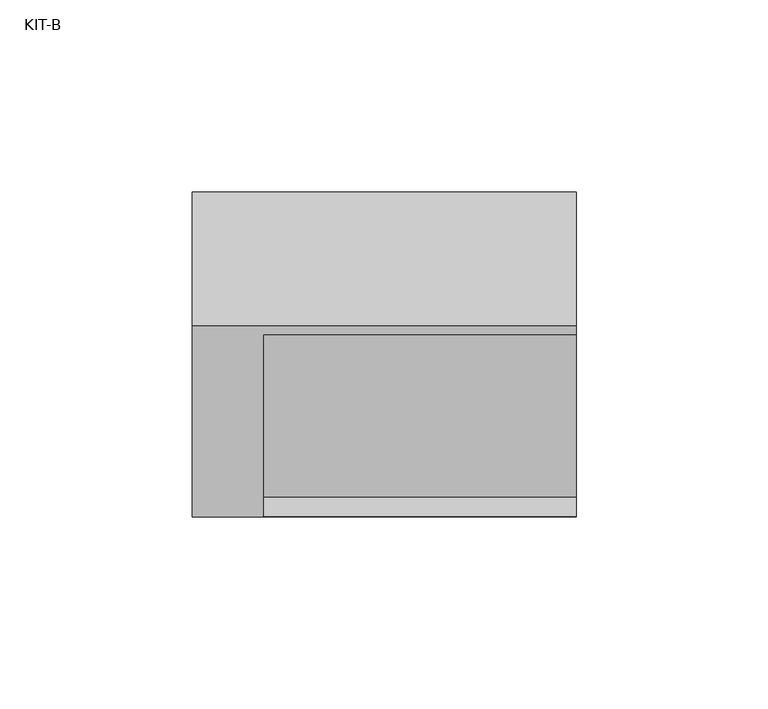
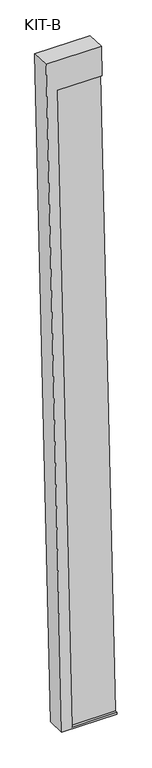
"""IFC4 building model written with IfcOpenShell, lengths in millimetres: plate geometry, KIT-B."""

from ifc_helpers import new_model, si_unit, frame, origin, place, context, project, spatial, polyline, outline, extrude, source, transform, mapped, element, save


def kit_b_e206a3db(model_context):
    return source(origin(), model_context, "Body", "SweptSolid", [
        extrude(outline(polyline([(0.0, 0.0), (27.4505712, 0.0), (27.4505712, -81.5), (0.0, -81.5), (0.0, 0.0)])), frame((-877.0, -68.924512, -49.4243487), z_axis=(0.0, 0.03973683410233643, 0.9992101801000245), x_axis=(0.0, 0.9992101801000245, -0.03973683410233643)), (0.0, 0.0, 1.0), 1186.5315929),
        extrude(outline(polyline([(-1245.0000001, 0.0), (0.0, 0.0), (0.0, -100.0), (-55.0, -100.0), (-55.0, -18.5), (-1241.531593, -18.5), (-1241.531593, -100.0), (-1245.0000001, -100.0), (-1245.0000001, 0.0)])), frame((-895.5, 10.3863283, 1189.9345529), z_axis=(0.0, -0.9992101801000247, 0.03973683410233422), x_axis=(0.0, 0.03973683410233422, 0.9992101801000247)), (0.0, 0.0, 1.0), 35.0),
    ])


if __name__ == "__main__":
    model = new_model("IFC4")
    model_context = context("Model", 3, world=origin())
    ifc_project = project(units=[si_unit("LENGTHUNIT", "METRE", prefix="MILLI")], contexts=[model_context])
    site = spatial("IfcSite", under=ifc_project)
    building = spatial("IfcBuilding", under=site)
    placement = place(None, origin())
    kit_b_shape = kit_b_e206a3db(model_context)
    element("IfcPlate", 1, ObjectType="KIT-B", at=placement, inside=building, context=model_context, shape_type="MappedRepresentation", body=[
        mapped(kit_b_shape, transform((0.0, 0.0, 0.0), x_axis=(1.0, 0.0, 0.0), y_axis=(0.0, 1.0, 0.0), z_axis=(0.0, 0.0, 1.0))),
    ])
    save(model, "model.ifc")
